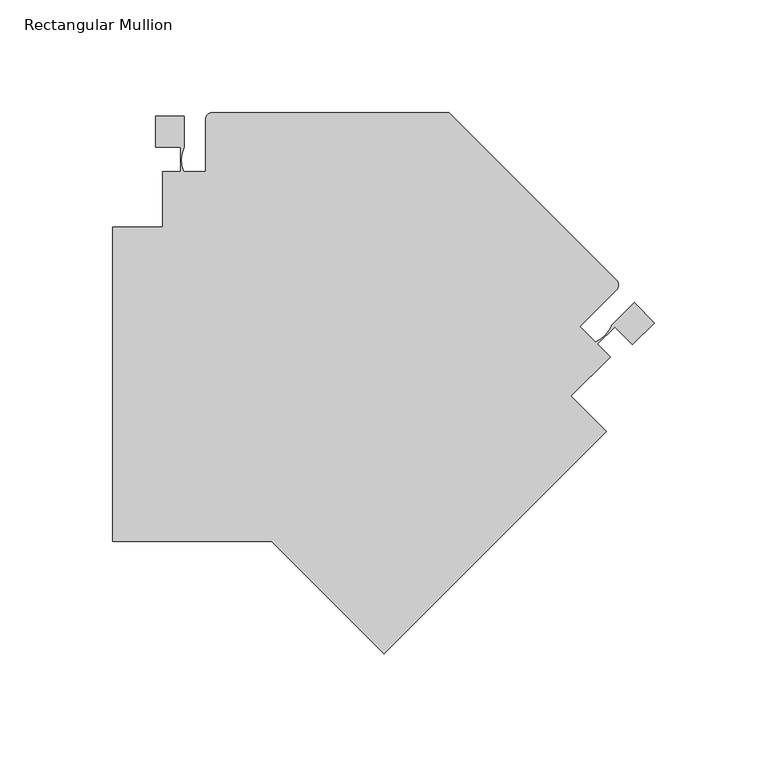
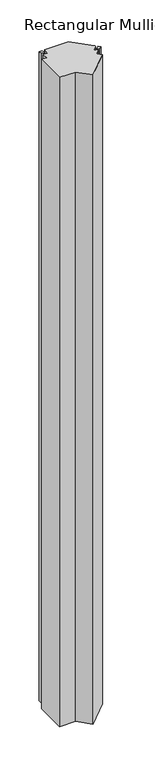
"""IFC4 building model written with IfcOpenShell, lengths in millimetres: member geometry, Rectangular Mullion."""

from ifc_helpers import new_model, si_unit, point, frame, frame_2d, origin, place, context, project, spatial, polyline, circle_curve, trimmed, segment, composite_curve, outline, extrude, source, transform, mapped, element, save


def rectangular_mullion_366006f8(model_context):
    return source(origin(), model_context, "Body", "SweptSolid", [
        extrude(outline(composite_curve([segment(polyline([(-120.1019379, -135.0350233), (-170.0546125, -85.0823486), (-240.6983625, -85.0823486), (-240.6983625, 54.6176464), (-218.4734758, 54.6176464), (-218.4734758, 79.2676598), (-210.5358625, 79.2312808), (-210.5358625, 90.0506408), (-221.6483625, 90.0506408), (-221.6483625, 103.8174408), (-208.9483625, 103.8174408), (-208.9483625, 90.0506408)]), True, "CONTINUOUS"), segment(trimmed(circle_curve(frame_2d((-196.4663618, 84.3420577)), 13.7254604), [point((-208.9483625, 90.0506408))], [point((-209.2014286, 79.2228452))], True, "CARTESIAN"), True, "CONTINUOUS"), segment(polyline([(-209.2014286, 79.2228452), (-199.4232493, 79.2676598), (-199.4232493, 102.2426409)]), True, "CONTINUOUS"), segment(trimmed(circle_curve(frame_2d((-196.2482493, 102.2426409)), 3.175), [point((-199.4232493, 102.2426409))], [point((-196.2482493, 105.4176409))], False, "CARTESIAN"), True, "CONTINUOUS"), segment(polyline([(-196.2482493, 105.4176409), (-91.1469333, 105.4176409), (-16.82908, 31.0997875)]), True, "CONTINUOUS"), segment(trimmed(circle_curve(frame_2d((-19.0741441, 28.8547235)), 3.175), [point((-16.82908, 31.0997875))], [point((-16.82908, 26.6096595))], False, "CARTESIAN"), True, "CONTINUOUS"), segment(polyline([(-16.82908, 26.6096595), (-33.0748449, 10.3638946), (-26.1923167, 3.417989)]), True, "CONTINUOUS"), segment(trimmed(circle_curve(frame_2d((-31.5775389, 16.042871)), 13.7254604), [point((-26.1923167, 3.417989))], [point((-18.7148538, 11.2533415))], True, "CARTESIAN"), True, "CONTINUOUS"), segment(polyline([(-18.7148538, 11.2533415), (-8.9802561, 20.9879391), (0.0, 12.007683), (-9.7345976, 2.2730853), (-17.5923217, 10.1308095), (-25.2427646, 2.4803666), (-19.6043006, -3.1066497), (-37.0344922, -20.5368413), (-21.3191241, -36.2522095), (-120.1019379, -135.0350233)]), True, "CONTINUOUS")], self_intersect=False)), frame((0.0, 0.0, -3048.0), z_axis=(0.0, 0.0, 1.0), x_axis=(1.0, 0.0, 0.0)), (0.0, 0.0, 1.0), 3048.0),
    ])


if __name__ == "__main__":
    model = new_model("IFC4")
    model_context = context("Model", 3, world=origin())
    ifc_project = project(units=[si_unit("LENGTHUNIT", "METRE", prefix="MILLI")], contexts=[model_context])
    site = spatial("IfcSite", under=ifc_project)
    building = spatial("IfcBuilding", under=site)
    placement = place(None, origin())
    rectangular_mullion_shape = rectangular_mullion_366006f8(model_context)
    element("IfcMember", 1, ObjectType="Rectangular Mullion", at=placement, inside=building, context=model_context, shape_type="MappedRepresentation", body=[
        mapped(rectangular_mullion_shape, transform((0.0, 0.0, 0.0), x_axis=(1.0, 0.0, 0.0), y_axis=(0.0, 1.0, 0.0), z_axis=(0.0, 0.0, 1.0))),
    ])
    save(model, "model.ifc")
